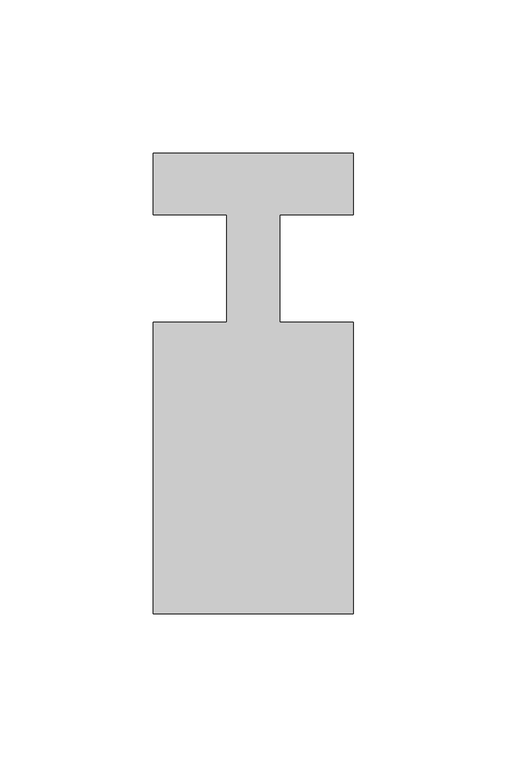
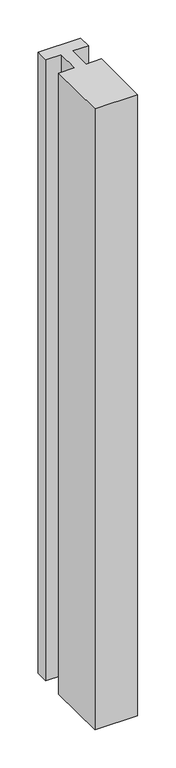
"""IFC4 building model written with IfcOpenShell, lengths in millimetres: member geometry."""

import ifcopenshell
import ifcopenshell.guid

model = None  # the IFC model being written
_history = None  # IfcOwnerHistory: only IFC2X3 demands one
_inside = {}  # id of a spatial element -> (the spatial element, [elements in it])
_under = {}  # id of a project, library or spatial element -> (it, [spatial elements below it])
_declared = {}  # id of a project -> (the project, [libraries it declares])
_typed = {}  # id of a type object -> (the type object, [elements of that type])
_made_of = {}  # id of a material, layer set ... -> (it, [elements and type objects made of it])


def new_model(schema):
    """Start an empty IFC model of exactly this schema.

    Asked for "IFC4X3", IfcOpenShell would pick the latest addendum, in which some entities
    have other attributes; the version numbers below select the first issue.
    IFC2X3 requires an IfcOwnerHistory on every rooted entity: one is made here for all.
    """
    global model, _history
    if schema == "IFC4X3":
        model = ifcopenshell.file(schema_version=(4, 3, 0, 0))
    else:
        model = ifcopenshell.file(schema=schema)
    _inside.clear()
    _under.clear()
    _declared.clear()
    _typed.clear()
    _made_of.clear()
    _history = None
    if model.schema == "IFC2X3":
        org = make("IfcOrganization", Name="unknown")
        user = make(
            "IfcPersonAndOrganization",
            ThePerson=make("IfcPerson", FamilyName="unknown"),
            TheOrganization=org,
        )
        app = make(
            "IfcApplication",
            ApplicationDeveloper=org,
            Version="unknown",
            ApplicationFullName="unknown",
            ApplicationIdentifier="unknown",
        )
        _history = make(
            "IfcOwnerHistory",
            OwningUser=user,
            OwningApplication=app,
            ChangeAction="ADDED",
            CreationDate=0,
        )
    return model


def make(cls, **values):
    """One entity of the class cls with the attributes given. An attribute that is None is left unset."""
    return model.create_entity(
        cls, **{name: value for name, value in values.items() if value is not None}
    )


def rooted(cls, **values):
    """An entity with a GlobalId (a new one), such as an element, a storey or a relation."""
    return make(cls, GlobalId=ifcopenshell.guid.new(), OwnerHistory=_history, **values)


def si_unit(unit_type, name, prefix=None):
    """IfcSIUnit, for example si_unit("LENGTHUNIT", "METRE", prefix="MILLI")."""
    return make("IfcSIUnit", UnitType=unit_type, Prefix=prefix, Name=name)


def assignment(units):
    """IfcUnitAssignment: the units of a project."""
    return None if units is None else make("IfcUnitAssignment", Units=units)


def point(xyz):
    """IfcCartesianPoint."""
    return None if xyz is None else make("IfcCartesianPoint", Coordinates=xyz)


def direction(xyz):
    """IfcDirection."""
    return None if xyz is None else make("IfcDirection", DirectionRatios=xyz)


def frame(location, z_axis=None, x_axis=None):
    """IfcAxis2Placement3D, a coordinate frame: its origin and axes. An axis left out is left unset."""
    return make(
        "IfcAxis2Placement3D",
        Location=point(location),
        Axis=direction(z_axis),
        RefDirection=direction(x_axis),
    )


def origin():
    """The frame at (0, 0, 0) with its axes left unset."""
    return frame((0.0, 0.0, 0.0))


def place(relative_to, where):
    """IfcLocalPlacement: puts the frame where relative to a parent placement (None: the world)."""
    return make(
        "IfcLocalPlacement", PlacementRelTo=relative_to, RelativePlacement=where
    )


def context(
    kind, dimensions, precision=None, world=None, true_north=None, identifier=None
):
    """IfcGeometricRepresentationContext, for example the 3D "Model" context."""
    return make(
        "IfcGeometricRepresentationContext",
        ContextIdentifier=identifier,
        ContextType=kind,
        CoordinateSpaceDimension=dimensions,
        Precision=precision,
        WorldCoordinateSystem=world,
        TrueNorth=true_north,
    )


def project(units=None, contexts=None):
    """IfcProject with its units and contexts."""
    return rooted(
        "IfcProject",
        Name="project",
        RepresentationContexts=contexts,
        UnitsInContext=assignment(units),
    )


def spatial(cls, under=None, at=None, **own):
    """A site, building, storey or space (cls), placed at a placement, below another one or the project."""
    s = rooted(cls, ObjectPlacement=at, **own)
    if under is not None:
        _under.setdefault(under.id(), (under, []))[1].append(s)
    return s


def polyline(points):
    """IfcPolyline through the points."""
    return make("IfcPolyline", Points=[point(p) for p in points])


def outline(outer, holes=None, kind="AREA"):
    """IfcArbitraryClosedProfileDef: a profile drawn as a closed curve; with holes, ...WithVoids."""
    if holes is None:
        return make("IfcArbitraryClosedProfileDef", ProfileType=kind, OuterCurve=outer)
    return make(
        "IfcArbitraryProfileDefWithVoids",
        ProfileType=kind,
        OuterCurve=outer,
        InnerCurves=holes,
    )


def extrude(swept, where, along, depth):
    """IfcExtrudedAreaSolid: the profile swept, set in the frame where, extruded along a direction by depth."""
    return make(
        "IfcExtrudedAreaSolid",
        SweptArea=swept,
        Position=where,
        ExtrudedDirection=direction(along),
        Depth=depth,
    )


def shape(context_of_items, identifier, shape_type, items):
    """IfcShapeRepresentation: the items that make up one representation, for example the "Body"."""
    return make(
        "IfcShapeRepresentation",
        ContextOfItems=context_of_items,
        RepresentationIdentifier=identifier,
        RepresentationType=shape_type,
        Items=items,
    )


def source(mapping_origin, context_of_items, identifier, shape_type, items):
    """IfcRepresentationMap: a shape defined once, which mapped items show again and again."""
    return make(
        "IfcRepresentationMap",
        MappingOrigin=mapping_origin,
        MappedRepresentation=shape(context_of_items, identifier, shape_type, items),
    )


def transform(
    local_origin,
    x_axis=None,
    y_axis=None,
    z_axis=None,
    scale=None,
    scale2=None,
    scale3=None,
    uniform=True,
):
    """IfcCartesianTransformationOperator3D, or its non-uniform kind. x_axis, y_axis, z_axis: its Axis1, 2, 3."""
    if uniform:
        return make(
            "IfcCartesianTransformationOperator3D",
            Axis1=direction(x_axis),
            Axis2=direction(y_axis),
            LocalOrigin=point(local_origin),
            Scale=scale,
            Axis3=direction(z_axis),
        )
    return make(
        "IfcCartesianTransformationOperator3DnonUniform",
        Axis1=direction(x_axis),
        Axis2=direction(y_axis),
        LocalOrigin=point(local_origin),
        Scale=scale,
        Axis3=direction(z_axis),
        Scale2=scale2,
        Scale3=scale3,
    )


def mapped(mapping_source, mapping_target):
    """IfcMappedItem: shows the shape of a source again, moved by a transform."""
    return make(
        "IfcMappedItem", MappingSource=mapping_source, MappingTarget=mapping_target
    )


def made_of(thing, what):
    """Note that an element or type object is made of a material, layer set ...; save() writes the relation."""
    if what is not None:
        _made_of.setdefault(what.id(), (what, []))[1].append(thing)
    return thing


def element(
    cls,
    number,
    at=None,
    inside=None,
    cuts=None,
    type_object=None,
    material=None,
    context=None,
    identifier="Body",
    shape_type=None,
    held_by="IfcProductDefinitionShape",
    body=None,
    shapes=None,
    **own,
):
    """One element of the class cls, such as IfcWall. Its Tag is "e" and its number.

    at: its placement. inside: the storey or other place that contains it. cuts: it is an
    opening in that element (IfcRelVoidsElement). A single representation is given by context,
    identifier, shape_type and body (its items); several are given by shapes. held_by: the class
    of the entity that holds the representations. save() writes the other relations.
    """
    e = rooted(cls, Tag="e%d" % number, ObjectPlacement=at, **own)
    if body is not None:
        shapes = [shape(context, identifier, shape_type, body)]
    if shapes is not None:
        e.Representation = make(held_by, Representations=shapes)
    if inside is not None:
        _inside.setdefault(inside.id(), (inside, []))[1].append(e)
    if cuts is not None:
        rooted(
            "IfcRelVoidsElement", RelatingBuildingElement=cuts, RelatedOpeningElement=e
        )
    if type_object is not None:
        _typed.setdefault(type_object.id(), (type_object, []))[1].append(e)
    return made_of(e, material)


def aggregate(whole, parts):
    """IfcRelAggregates: a whole, such as a stair, and the parts it consists of."""
    return rooted("IfcRelAggregates", RelatingObject=whole, RelatedObjects=parts)


def save(model, path):
    """Write the relations noted so far, then the file.

    IfcRelAggregates (storeys below a building ...), IfcRelContainedInSpatialStructure (elements
    in a storey), IfcRelDefinesByType, IfcRelAssociatesMaterial and IfcRelDeclares: one each for
    every whole, place, type object, material and project.
    """
    for whole, parts in _under.values():
        aggregate(whole, parts)
    for where, things in _inside.values():
        rooted(
            "IfcRelContainedInSpatialStructure",
            RelatedElements=things,
            RelatingStructure=where,
        )
    for kind, things in _typed.values():
        rooted("IfcRelDefinesByType", RelatedObjects=things, RelatingType=kind)
    for what, things in _made_of.values():
        rooted("IfcRelAssociatesMaterial", RelatedObjects=things, RelatingMaterial=what)
    for by, libraries in _declared.values():
        rooted("IfcRelDeclares", RelatingContext=by, RelatedDefinitions=libraries)
    model.write(path)


def member_889fec0f(model_context):
    return source(origin(), model_context, "Body", "SweptSolid", [
        extrude(outline(polyline([(0.0, 37.0), (0.0, 17.0), (-23.8125, 17.0), (-23.8125, -18.0), (0.0, -18.0), (0.0, -113.0), (-65.0, -113.0), (-65.0, -18.0), (-41.1875, -18.0), (-41.1875, 17.0), (-65.0, 17.0), (-65.0, 37.0), (0.0, 37.0)])), frame((0.0, 0.0, -996.0714286), z_axis=(0.0, 0.0, 1.0), x_axis=(1.0, 0.0, 0.0)), (0.0, 0.0, 1.0), 996.0714286),
    ])


if __name__ == "__main__":
    model = new_model("IFC4")
    model_context = context("Model", 3, world=origin())
    ifc_project = project(units=[si_unit("LENGTHUNIT", "METRE", prefix="MILLI")], contexts=[model_context])
    site = spatial("IfcSite", under=ifc_project)
    building = spatial("IfcBuilding", under=site)
    placement = place(None, origin())
    member_shape = member_889fec0f(model_context)
    element("IfcMember", 1, at=placement, inside=building, context=model_context, shape_type="MappedRepresentation", body=[
        mapped(member_shape, transform((0.0, 0.0, 0.0), x_axis=(1.0, 0.0, 0.0), y_axis=(0.0, 1.0, 0.0), z_axis=(0.0, 0.0, 1.0))),
    ])
    save(model, "model.ifc")
